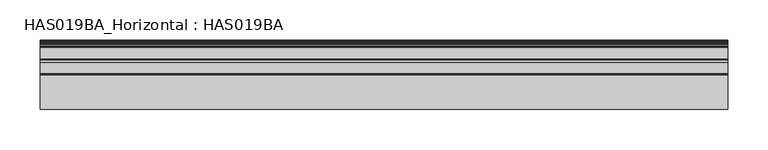
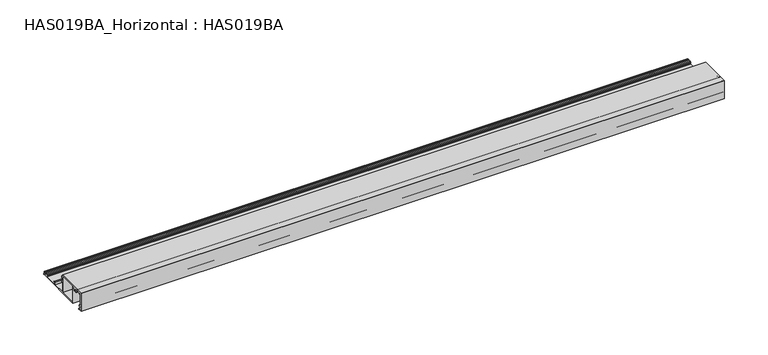
"""IFC4 building model written with IfcOpenShell, lengths in millimetres: beam geometry, HAS019BA_Horizontal : HAS019BA."""

import ifcopenshell
import ifcopenshell.guid

model = None  # the IFC model being written
_history = None  # IfcOwnerHistory: only IFC2X3 demands one
_inside = {}  # id of a spatial element -> (the spatial element, [elements in it])
_under = {}  # id of a project, library or spatial element -> (it, [spatial elements below it])
_declared = {}  # id of a project -> (the project, [libraries it declares])
_typed = {}  # id of a type object -> (the type object, [elements of that type])
_made_of = {}  # id of a material, layer set ... -> (it, [elements and type objects made of it])


def new_model(schema):
    """Start an empty IFC model of exactly this schema.

    Asked for "IFC4X3", IfcOpenShell would pick the latest addendum, in which some entities
    have other attributes; the version numbers below select the first issue.
    IFC2X3 requires an IfcOwnerHistory on every rooted entity: one is made here for all.
    """
    global model, _history
    if schema == "IFC4X3":
        model = ifcopenshell.file(schema_version=(4, 3, 0, 0))
    else:
        model = ifcopenshell.file(schema=schema)
    _inside.clear()
    _under.clear()
    _declared.clear()
    _typed.clear()
    _made_of.clear()
    _history = None
    if model.schema == "IFC2X3":
        org = make("IfcOrganization", Name="unknown")
        user = make(
            "IfcPersonAndOrganization",
            ThePerson=make("IfcPerson", FamilyName="unknown"),
            TheOrganization=org,
        )
        app = make(
            "IfcApplication",
            ApplicationDeveloper=org,
            Version="unknown",
            ApplicationFullName="unknown",
            ApplicationIdentifier="unknown",
        )
        _history = make(
            "IfcOwnerHistory",
            OwningUser=user,
            OwningApplication=app,
            ChangeAction="ADDED",
            CreationDate=0,
        )
    return model


def make(cls, **values):
    """One entity of the class cls with the attributes given. An attribute that is None is left unset."""
    return model.create_entity(
        cls, **{name: value for name, value in values.items() if value is not None}
    )


def rooted(cls, **values):
    """An entity with a GlobalId (a new one), such as an element, a storey or a relation."""
    return make(cls, GlobalId=ifcopenshell.guid.new(), OwnerHistory=_history, **values)


def si_unit(unit_type, name, prefix=None):
    """IfcSIUnit, for example si_unit("LENGTHUNIT", "METRE", prefix="MILLI")."""
    return make("IfcSIUnit", UnitType=unit_type, Prefix=prefix, Name=name)


def assignment(units):
    """IfcUnitAssignment: the units of a project."""
    return None if units is None else make("IfcUnitAssignment", Units=units)


def point(xyz):
    """IfcCartesianPoint."""
    return None if xyz is None else make("IfcCartesianPoint", Coordinates=xyz)


def direction(xyz):
    """IfcDirection."""
    return None if xyz is None else make("IfcDirection", DirectionRatios=xyz)


def frame(location, z_axis=None, x_axis=None):
    """IfcAxis2Placement3D, a coordinate frame: its origin and axes. An axis left out is left unset."""
    return make(
        "IfcAxis2Placement3D",
        Location=point(location),
        Axis=direction(z_axis),
        RefDirection=direction(x_axis),
    )


def frame_2d(location, x_axis=None):
    """IfcAxis2Placement2D, a coordinate frame in the plane: its origin and x axis."""
    return make(
        "IfcAxis2Placement2D", Location=point(location), RefDirection=direction(x_axis)
    )


def origin():
    """The frame at (0, 0, 0) with its axes left unset."""
    return frame((0.0, 0.0, 0.0))


def place(relative_to, where):
    """IfcLocalPlacement: puts the frame where relative to a parent placement (None: the world)."""
    return make(
        "IfcLocalPlacement", PlacementRelTo=relative_to, RelativePlacement=where
    )


def context(
    kind, dimensions, precision=None, world=None, true_north=None, identifier=None
):
    """IfcGeometricRepresentationContext, for example the 3D "Model" context."""
    return make(
        "IfcGeometricRepresentationContext",
        ContextIdentifier=identifier,
        ContextType=kind,
        CoordinateSpaceDimension=dimensions,
        Precision=precision,
        WorldCoordinateSystem=world,
        TrueNorth=true_north,
    )


def project(units=None, contexts=None):
    """IfcProject with its units and contexts."""
    return rooted(
        "IfcProject",
        Name="project",
        RepresentationContexts=contexts,
        UnitsInContext=assignment(units),
    )


def spatial(cls, under=None, at=None, **own):
    """A site, building, storey or space (cls), placed at a placement, below another one or the project."""
    s = rooted(cls, ObjectPlacement=at, **own)
    if under is not None:
        _under.setdefault(under.id(), (under, []))[1].append(s)
    return s


def polyline(points):
    """IfcPolyline through the points."""
    return make("IfcPolyline", Points=[point(p) for p in points])


def circle_curve(where, radius):
    """IfcCircle in the frame where."""
    return make("IfcCircle", Position=where, Radius=radius)


def trimmed(basis, trim1, trim2, sense, master):
    """IfcTrimmedCurve: the piece of a basis curve between two trims."""
    return make(
        "IfcTrimmedCurve",
        BasisCurve=basis,
        Trim1=trim1,
        Trim2=trim2,
        SenseAgreement=sense,
        MasterRepresentation=master,
    )


def segment(curve, same_sense, transition):
    """IfcCompositeCurveSegment."""
    return make(
        "IfcCompositeCurveSegment",
        Transition=transition,
        SameSense=same_sense,
        ParentCurve=curve,
    )


def composite_curve(segments, self_intersect=None):
    """IfcCompositeCurve: segments joined end to end."""
    return make("IfcCompositeCurve", Segments=segments, SelfIntersect=self_intersect)


def outline(outer, holes=None, kind="AREA"):
    """IfcArbitraryClosedProfileDef: a profile drawn as a closed curve; with holes, ...WithVoids."""
    if holes is None:
        return make("IfcArbitraryClosedProfileDef", ProfileType=kind, OuterCurve=outer)
    return make(
        "IfcArbitraryProfileDefWithVoids",
        ProfileType=kind,
        OuterCurve=outer,
        InnerCurves=holes,
    )


def extrude(swept, where, along, depth):
    """IfcExtrudedAreaSolid: the profile swept, set in the frame where, extruded along a direction by depth."""
    return make(
        "IfcExtrudedAreaSolid",
        SweptArea=swept,
        Position=where,
        ExtrudedDirection=direction(along),
        Depth=depth,
    )


def shape(context_of_items, identifier, shape_type, items):
    """IfcShapeRepresentation: the items that make up one representation, for example the "Body"."""
    return make(
        "IfcShapeRepresentation",
        ContextOfItems=context_of_items,
        RepresentationIdentifier=identifier,
        RepresentationType=shape_type,
        Items=items,
    )


def source(mapping_origin, context_of_items, identifier, shape_type, items):
    """IfcRepresentationMap: a shape defined once, which mapped items show again and again."""
    return make(
        "IfcRepresentationMap",
        MappingOrigin=mapping_origin,
        MappedRepresentation=shape(context_of_items, identifier, shape_type, items),
    )


def transform(
    local_origin,
    x_axis=None,
    y_axis=None,
    z_axis=None,
    scale=None,
    scale2=None,
    scale3=None,
    uniform=True,
):
    """IfcCartesianTransformationOperator3D, or its non-uniform kind. x_axis, y_axis, z_axis: its Axis1, 2, 3."""
    if uniform:
        return make(
            "IfcCartesianTransformationOperator3D",
            Axis1=direction(x_axis),
            Axis2=direction(y_axis),
            LocalOrigin=point(local_origin),
            Scale=scale,
            Axis3=direction(z_axis),
        )
    return make(
        "IfcCartesianTransformationOperator3DnonUniform",
        Axis1=direction(x_axis),
        Axis2=direction(y_axis),
        LocalOrigin=point(local_origin),
        Scale=scale,
        Axis3=direction(z_axis),
        Scale2=scale2,
        Scale3=scale3,
    )


def mapped(mapping_source, mapping_target):
    """IfcMappedItem: shows the shape of a source again, moved by a transform."""
    return make(
        "IfcMappedItem", MappingSource=mapping_source, MappingTarget=mapping_target
    )


def made_of(thing, what):
    """Note that an element or type object is made of a material, layer set ...; save() writes the relation."""
    if what is not None:
        _made_of.setdefault(what.id(), (what, []))[1].append(thing)
    return thing


def element(
    cls,
    number,
    at=None,
    inside=None,
    cuts=None,
    type_object=None,
    material=None,
    context=None,
    identifier="Body",
    shape_type=None,
    held_by="IfcProductDefinitionShape",
    body=None,
    shapes=None,
    **own,
):
    """One element of the class cls, such as IfcWall. Its Tag is "e" and its number.

    at: its placement. inside: the storey or other place that contains it. cuts: it is an
    opening in that element (IfcRelVoidsElement). A single representation is given by context,
    identifier, shape_type and body (its items); several are given by shapes. held_by: the class
    of the entity that holds the representations. save() writes the other relations.
    """
    e = rooted(cls, Tag="e%d" % number, ObjectPlacement=at, **own)
    if body is not None:
        shapes = [shape(context, identifier, shape_type, body)]
    if shapes is not None:
        e.Representation = make(held_by, Representations=shapes)
    if inside is not None:
        _inside.setdefault(inside.id(), (inside, []))[1].append(e)
    if cuts is not None:
        rooted(
            "IfcRelVoidsElement", RelatingBuildingElement=cuts, RelatedOpeningElement=e
        )
    if type_object is not None:
        _typed.setdefault(type_object.id(), (type_object, []))[1].append(e)
    return made_of(e, material)


def aggregate(whole, parts):
    """IfcRelAggregates: a whole, such as a stair, and the parts it consists of."""
    return rooted("IfcRelAggregates", RelatingObject=whole, RelatedObjects=parts)


def save(model, path):
    """Write the relations noted so far, then the file.

    IfcRelAggregates (storeys below a building ...), IfcRelContainedInSpatialStructure (elements
    in a storey), IfcRelDefinesByType, IfcRelAssociatesMaterial and IfcRelDeclares: one each for
    every whole, place, type object, material and project.
    """
    for whole, parts in _under.values():
        aggregate(whole, parts)
    for where, things in _inside.values():
        rooted(
            "IfcRelContainedInSpatialStructure",
            RelatedElements=things,
            RelatingStructure=where,
        )
    for kind, things in _typed.values():
        rooted("IfcRelDefinesByType", RelatedObjects=things, RelatingType=kind)
    for what, things in _made_of.values():
        rooted("IfcRelAssociatesMaterial", RelatedObjects=things, RelatingMaterial=what)
    for by, libraries in _declared.values():
        rooted("IfcRelDeclares", RelatingContext=by, RelatedDefinitions=libraries)
    model.write(path)


def has019ba_horizontal_has019ba_05a8c9ec(model_context):
    return source(origin(), model_context, "Body", "SweptSolid", [
        extrude(outline(composite_curve([segment(polyline([(34.8878502, 2.2914045), (34.4108764, 3.1987884)]), True, "CONTINUOUS"), segment(trimmed(circle_curve(frame_2d((35.1970083, 3.362855)), 0.8030699), [point((34.4108764, 3.1987884))], [point((34.6291522, 3.9307111))], False, "CARTESIAN"), True, "CONTINUOUS"), segment(polyline([(34.6291522, 3.9307111), (35.567052, 4.868611), (37.5798426, 4.868611)]), True, "CONTINUOUS"), segment(trimmed(circle_curve(frame_2d((37.5798426, 4.5303283)), 0.3382827), [point((37.5798426, 4.868611))], [point((37.8202, 4.2922873))], False, "CARTESIAN"), True, "CONTINUOUS"), segment(trimmed(circle_curve(frame_2d((38.9613982, 3.1620875)), 1.6061397), [point((37.8202, 4.2922873))], [point((40.1369193, 4.256544))], True, "CARTESIAN"), True, "CONTINUOUS"), segment(trimmed(circle_curve(frame_2d((40.4033411, 4.5045932)), 0.3640178), [point((40.1369193, 4.256544))], [point((40.4033411, 4.868611))], False, "CARTESIAN"), True, "CONTINUOUS"), segment(polyline([(40.4033411, 4.868611), (41.563642, 4.868611)]), True, "CONTINUOUS"), segment(trimmed(circle_curve(frame_2d((38.9613982, 3.1620875)), 3.1118957), [point((41.563642, 4.868611))], [point((41.9177896, 2.1906738))], False, "CARTESIAN"), True, "CONTINUOUS"), segment(trimmed(circle_curve(frame_2d((42.3946269, 2.0339941)), 0.5019187), [point((41.9177896, 2.1906738))], [point((42.2981386, 1.5414372))], True, "CARTESIAN"), True, "CONTINUOUS"), segment(trimmed(circle_curve(frame_2d((42.1485817, 0.7779739)), 0.7779739), [point((42.2981386, 1.5414372))], [point((42.1485817, 0.0))], False, "CARTESIAN"), True, "CONTINUOUS"), segment(polyline([(42.1485817, 0.0), (-23.9792015, 0.0), (-23.9792015, 23.6448196), (-26.2756877, 23.6448196)]), True, "CONTINUOUS"), segment(trimmed(circle_curve(frame_2d((-26.2756877, 23.2432753)), 0.4015444), [point((-26.2756877, 23.6448196))], [point((-26.6384869, 23.0711864))], True, "CARTESIAN"), True, "CONTINUOUS"), segment(trimmed(circle_curve(frame_2d((-29.4501149, 21.7375287)), 3.1118957), [point((-26.6384869, 23.0711864))], [point((-27.1154358, 19.6800623))], False, "CARTESIAN"), True, "CONTINUOUS"), segment(trimmed(circle_curve(frame_2d((-27.6802775, 20.1778364)), 0.752878), [point((-27.1154358, 19.6800623))], [point((-28.2451192, 20.6756106))], False, "CARTESIAN"), True, "CONTINUOUS"), segment(trimmed(circle_curve(frame_2d((-29.4501149, 21.7375287)), 1.6061397), [point((-28.2451192, 20.6756106))], [point((-29.4086423, 23.3431329))], True, "CARTESIAN"), True, "CONTINUOUS"), segment(trimmed(circle_curve(frame_2d((-29.4501149, 21.7375287)), 1.6061397), [point((-29.4086423, 23.3431329))], [point((-30.6551106, 20.6756106))], True, "CARTESIAN"), True, "CONTINUOUS"), segment(trimmed(circle_curve(frame_2d((-31.2199523, 20.1778364)), 0.752878), [point((-30.6551106, 20.6756106))], [point((-31.784794, 19.6800623))], False, "CARTESIAN"), True, "CONTINUOUS"), segment(trimmed(circle_curve(frame_2d((-29.4501149, 21.7375287)), 3.1118957), [point((-31.784794, 19.6800623))], [point((-32.2617574, 23.0711558))], False, "CARTESIAN"), True, "CONTINUOUS"), segment(trimmed(circle_curve(frame_2d((-32.6245803, 23.2432511)), 0.4015685), [point((-32.2617574, 23.0711558))], [point((-32.6245803, 23.6448196))], True, "CARTESIAN"), True, "CONTINUOUS"), segment(polyline([(-32.6245803, 23.6448196), (-38.6352263, 23.6448196), (-38.6352263, 22.6409823)]), True, "CONTINUOUS"), segment(trimmed(circle_curve(frame_2d((-39.137145, 22.6409823)), 0.5019187), [point((-38.6352263, 22.6409823))], [point((-39.6390636, 22.6409823))], False, "CARTESIAN"), True, "CONTINUOUS"), segment(polyline([(-39.6390636, 22.6409823), (-39.6390636, 23.6448196), (-41.1448196, 23.6448196), (-41.1448196, 5.6716808), (-39.6390636, 5.6716808), (-39.6390636, 6.6755182)]), True, "CONTINUOUS"), segment(trimmed(circle_curve(frame_2d((-39.137145, 6.6755182)), 0.5019187), [point((-39.6390636, 6.6755182))], [point((-38.6352263, 6.6755182))], False, "CARTESIAN"), True, "CONTINUOUS"), segment(polyline([(-38.6352263, 6.6755182), (-38.6352263, 5.4709134)]), True, "CONTINUOUS"), segment(trimmed(circle_curve(frame_2d((-39.4382962, 5.4709134)), 0.8030699), [point((-38.6352263, 5.4709134))], [point((-39.4382962, 4.6678435))], False, "CARTESIAN"), True, "CONTINUOUS"), segment(polyline([(-39.4382962, 4.6678435), (-41.1448196, 4.6678435), (-41.1448196, 1.4053722), (-38.1834995, 1.4053722)]), True, "CONTINUOUS"), segment(trimmed(circle_curve(frame_2d((-38.1834995, 0.7026861)), 0.7026861), [point((-38.1834995, 1.4053722))], [point((-38.1834995, 0.0))], False, "CARTESIAN"), True, "CONTINUOUS"), segment(polyline([(-38.1834995, 0.0), (-42.5, 0.0), (-42.5, 25.0), (-0.238449, 25.0), (-0.238449, 22.6409823), (1.4680745, 22.6409823)]), True, "CONTINUOUS"), segment(trimmed(circle_curve(frame_2d((1.4680745, 22.1390636)), 0.5019187), [point((1.4680745, 22.6409823))], [point((1.9699931, 22.1390636))], False, "CARTESIAN"), True, "CONTINUOUS"), segment(polyline([(1.9699931, 22.1390636), (1.9699931, 20.5336914)]), True, "CONTINUOUS"), segment(trimmed(circle_curve(frame_2d((1.4680745, 20.5336914)), 0.5019187), [point((1.9699931, 20.5336914))], [point((0.9661558, 20.5336914))], False, "CARTESIAN"), True, "CONTINUOUS"), segment(polyline([(0.9661558, 20.5336914), (0.9661558, 21.3359938), (-0.4392164, 21.3359938), (-0.4392164, 16.0112052), (0.9661558, 16.0112052), (0.9661558, 16.8135076)]), True, "CONTINUOUS"), segment(trimmed(circle_curve(frame_2d((1.4680745, 16.8135076)), 0.5019187), [point((0.9661558, 16.8135076))], [point((1.9699931, 16.8135076))], False, "CARTESIAN"), True, "CONTINUOUS"), segment(polyline([(1.9699931, 16.8135076), (1.9699931, 15.2081353)]), True, "CONTINUOUS"), segment(trimmed(circle_curve(frame_2d((1.4680745, 15.2081353)), 0.5019187), [point((1.9699931, 15.2081353))], [point((1.4680745, 14.7062167))], False, "CARTESIAN"), True, "CONTINUOUS"), segment(polyline([(1.4680745, 14.7062167), (-0.238449, 14.7062167), (-0.238449, 1.5559478), (16.0237156, 1.5559478), (16.0237156, 4.868611), (18.7340763, 4.868611)]), True, "CONTINUOUS"), segment(trimmed(circle_curve(frame_2d((18.7340763, 4.2663086)), 0.6023024), [point((18.7340763, 4.868611))], [point((19.0108765, 3.7313788))], False, "CARTESIAN"), True, "CONTINUOUS"), segment(polyline([(19.0108765, 3.7313788), (17.3287041, 2.8609364), (17.3287041, 1.5559478), (34.4435728, 1.5559478)]), True, "CONTINUOUS"), segment(trimmed(circle_curve(frame_2d((34.4435728, 2.0578665)), 0.5019187), [point((34.4435728, 1.5559478))], [point((34.8878502, 2.2914045))], True, "CARTESIAN"), True, "CONTINUOUS")], self_intersect=False), holes=[polyline([(-1.7943968, 23.6448196), (-22.4232537, 23.6448196), (-22.4232537, 1.5559478), (-1.7943968, 1.5559478), (-1.7943968, 23.6448196)])]), frame((-425.0378612, 0.0, 0.0), z_axis=(1.0, 0.0, 0.0), x_axis=(0.0, 1.0, 0.0)), (0.0, 0.0, 1.0), 850.0757225),
    ])


if __name__ == "__main__":
    model = new_model("IFC4")
    model_context = context("Model", 3, world=origin())
    ifc_project = project(units=[si_unit("LENGTHUNIT", "METRE", prefix="MILLI")], contexts=[model_context])
    site = spatial("IfcSite", under=ifc_project)
    building = spatial("IfcBuilding", under=site)
    placement = place(None, origin())
    has019ba_horizontal_has019ba_shape = has019ba_horizontal_has019ba_05a8c9ec(model_context)
    element("IfcBeam", 1, ObjectType="HAS019BA_Horizontal : HAS019BA", at=placement, inside=building, context=model_context, shape_type="MappedRepresentation", body=[
        mapped(has019ba_horizontal_has019ba_shape, transform((0.0, 0.0, 0.0), x_axis=(1.0, 0.0, 0.0), y_axis=(0.0, 1.0, 0.0), z_axis=(0.0, 0.0, 1.0))),
    ])
    save(model, "model.ifc")
